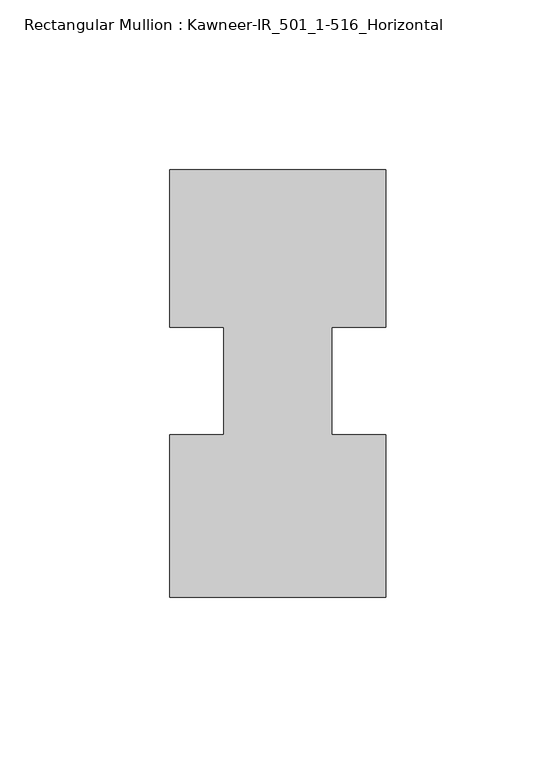
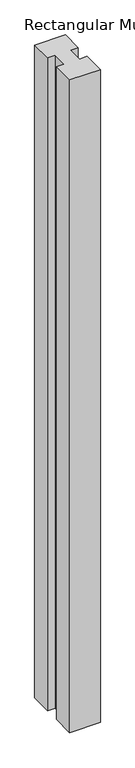
"""IFC4 building model written with IfcOpenShell, lengths in millimetres: member geometry, Rectangular Mullion : Kawneer-IR_501_1-516_Horizontal."""

from ifc_helpers import new_model, si_unit, frame, origin, place, context, project, spatial, polyline, outline, extrude, source, transform, mapped, element, save


def rectangular_mullion_kawneer_ir_501_1_516_horizontal_8cec4c65(model_context):
    return source(origin(), model_context, "Body", "SweptSolid", [
        extrude(outline(polyline([(42.4344027, -38.4683), (-21.0655973, -38.4683), (-21.0655973, 9.296885), (-5.1905973, 9.296885), (-5.1905973, 41.046885), (-21.0655973, 41.046885), (-21.0655973, 87.3125), (42.4344027, 87.3125), (42.4344027, 41.046885), (26.5467027, 41.046885), (26.5467027, 9.296885), (42.4344027, 9.296885), (42.4344027, -38.4683)])), frame((0.0, 0.0, -1432.9641364), z_axis=(0.0, 0.0, 1.0), x_axis=(1.0, 0.0, 0.0)), (0.0, 0.0, 1.0), 1432.9641364),
    ])


if __name__ == "__main__":
    model = new_model("IFC4")
    model_context = context("Model", 3, world=origin())
    ifc_project = project(units=[si_unit("LENGTHUNIT", "METRE", prefix="MILLI")], contexts=[model_context])
    site = spatial("IfcSite", under=ifc_project)
    building = spatial("IfcBuilding", under=site)
    placement = place(None, origin())
    rectangular_mullion_kawneer_ir_501_1_516_horizontal_shape = rectangular_mullion_kawneer_ir_501_1_516_horizontal_8cec4c65(model_context)
    element("IfcMember", 1, ObjectType="Rectangular Mullion : Kawneer-IR_501_1-516_Horizontal", at=placement, inside=building, context=model_context, shape_type="MappedRepresentation", body=[
        mapped(rectangular_mullion_kawneer_ir_501_1_516_horizontal_shape, transform((0.0, 0.0, 0.0), x_axis=(1.0, 0.0, 0.0), y_axis=(0.0, 1.0, 0.0), z_axis=(0.0, 0.0, 1.0))),
    ])
    save(model, "model.ifc")
